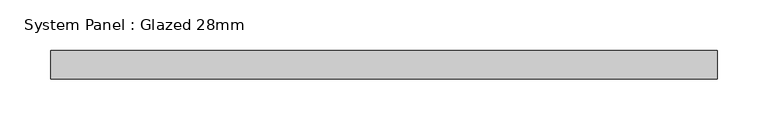
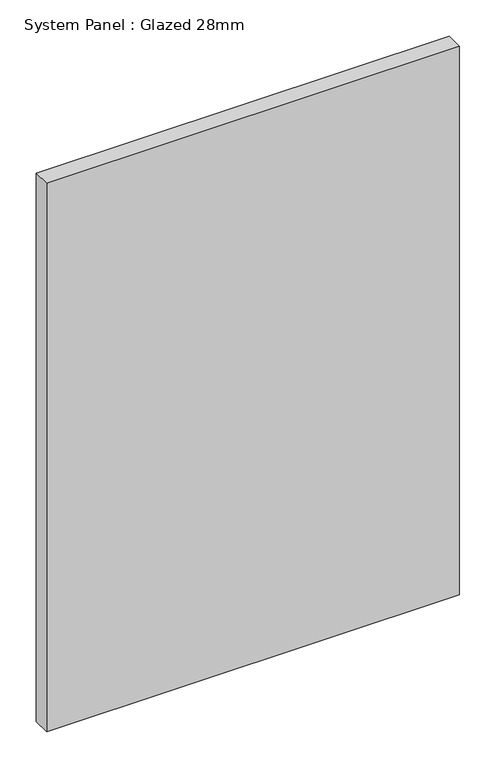
"""IFC4 building model written with IfcOpenShell, lengths in millimetres: plate geometry, System Panel : Glazed 28mm."""

from ifc_helpers import new_model, si_unit, origin, origin_with_axes, place, context, project, spatial, polyline, outline, extrude, source, transform, mapped, element, save


def system_panel_glazed_28mm_2d5078f7(model_context):
    return source(origin(), model_context, "Body", "SweptSolid", [
        extrude(outline(polyline([(327.8105764, -14.0), (-327.8105764, -14.0), (-327.8105764, 14.0), (327.8105764, 14.0), (327.8105764, -14.0)])), origin_with_axes(), (0.0, 0.0, 1.0), 920.5988795),
    ])


if __name__ == "__main__":
    model = new_model("IFC4")
    model_context = context("Model", 3, world=origin())
    ifc_project = project(units=[si_unit("LENGTHUNIT", "METRE", prefix="MILLI")], contexts=[model_context])
    site = spatial("IfcSite", under=ifc_project)
    building = spatial("IfcBuilding", under=site)
    placement = place(None, origin())
    system_panel_glazed_28mm_shape = system_panel_glazed_28mm_2d5078f7(model_context)
    element("IfcPlate", 1, ObjectType="System Panel : Glazed 28mm", at=placement, inside=building, context=model_context, shape_type="MappedRepresentation", body=[
        mapped(system_panel_glazed_28mm_shape, transform((0.0, 0.0, 0.0), x_axis=(1.0, 0.0, 0.0), y_axis=(0.0, 1.0, 0.0), z_axis=(0.0, 0.0, 1.0))),
    ])
    save(model, "model.ifc")
